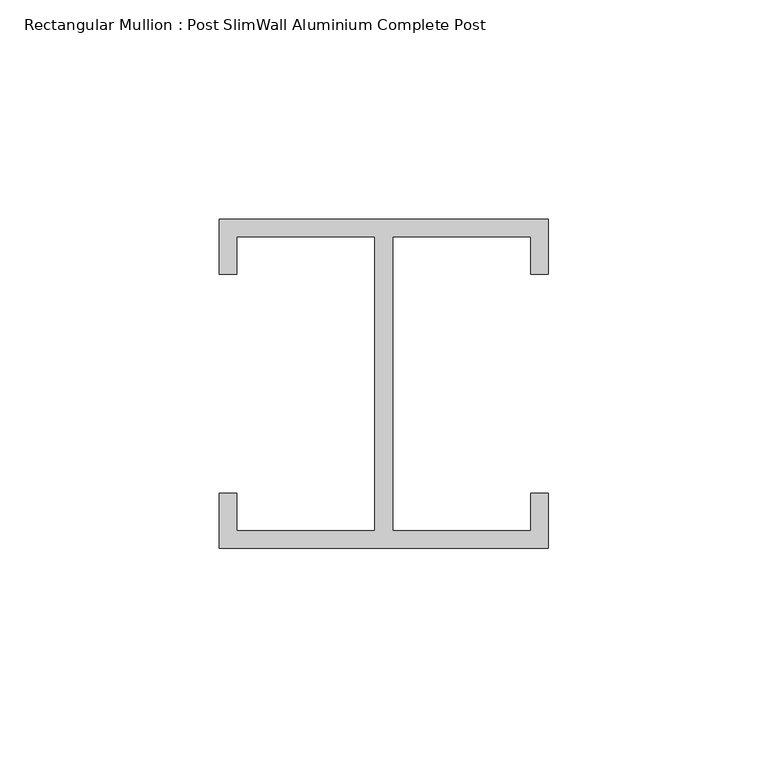
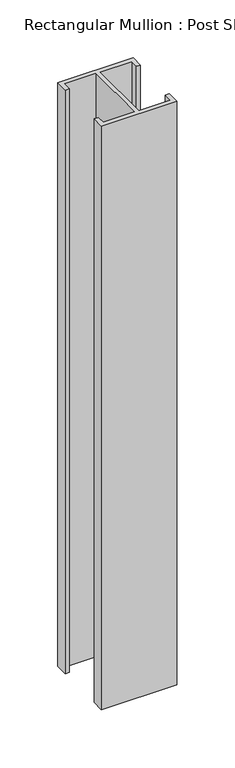
"""IFC4 building model written with IfcOpenShell, lengths in millimetres: member geometry, Rectangular Mullion : Post SlimWall Aluminium Complete Post."""

from ifc_helpers import new_model, si_unit, frame, origin, place, context, project, spatial, polyline, outline, extrude, source, transform, mapped, element, save


def rectangular_mullion_post_slimwall_aluminium_complete_post_f687bc66(model_context):
    return source(origin(), model_context, "Body", "SweptSolid", [
        extrude(outline(polyline([(-33.5, 33.5), (-33.5, 25.0), (-37.5, 25.0), (-37.5, 37.5), (37.5, 37.5), (37.5, 25.0), (33.5, 25.0), (33.5, 33.5), (2.0, 33.5), (2.0, -33.5), (33.5, -33.5), (33.5, -25.0), (37.5, -25.0), (37.5, -37.5), (-37.5, -37.5), (-37.5, -25.0), (-33.5, -25.0), (-33.5, -33.5), (-2.0, -33.5), (-2.0, 33.5), (-33.5, 33.5)])), frame((0.0, 0.0, -615.0), z_axis=(0.0, 0.0, 1.0), x_axis=(1.0, 0.0, 0.0)), (0.0, 0.0, 1.0), 615.0),
    ])


if __name__ == "__main__":
    model = new_model("IFC4")
    model_context = context("Model", 3, world=origin())
    ifc_project = project(units=[si_unit("LENGTHUNIT", "METRE", prefix="MILLI")], contexts=[model_context])
    site = spatial("IfcSite", under=ifc_project)
    building = spatial("IfcBuilding", under=site)
    placement = place(None, origin())
    rectangular_mullion_post_slimwall_aluminium_complete_post_shape = rectangular_mullion_post_slimwall_aluminium_complete_post_f687bc66(model_context)
    element("IfcMember", 1, ObjectType="Rectangular Mullion : Post SlimWall Aluminium Complete Post", at=placement, inside=building, context=model_context, shape_type="MappedRepresentation", body=[
        mapped(rectangular_mullion_post_slimwall_aluminium_complete_post_shape, transform((0.0, 0.0, 0.0), x_axis=(1.0, 0.0, 0.0), y_axis=(0.0, 1.0, 0.0), z_axis=(0.0, 0.0, 1.0))),
    ])
    save(model, "model.ifc")
